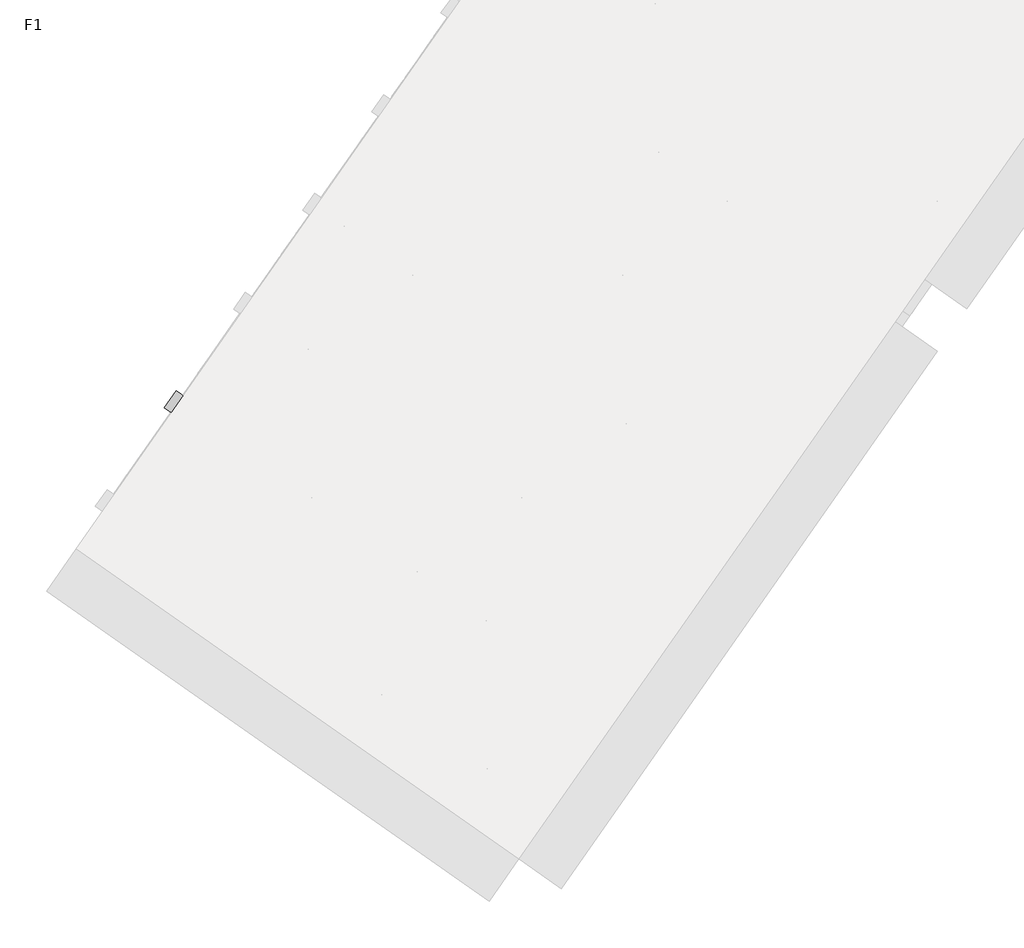
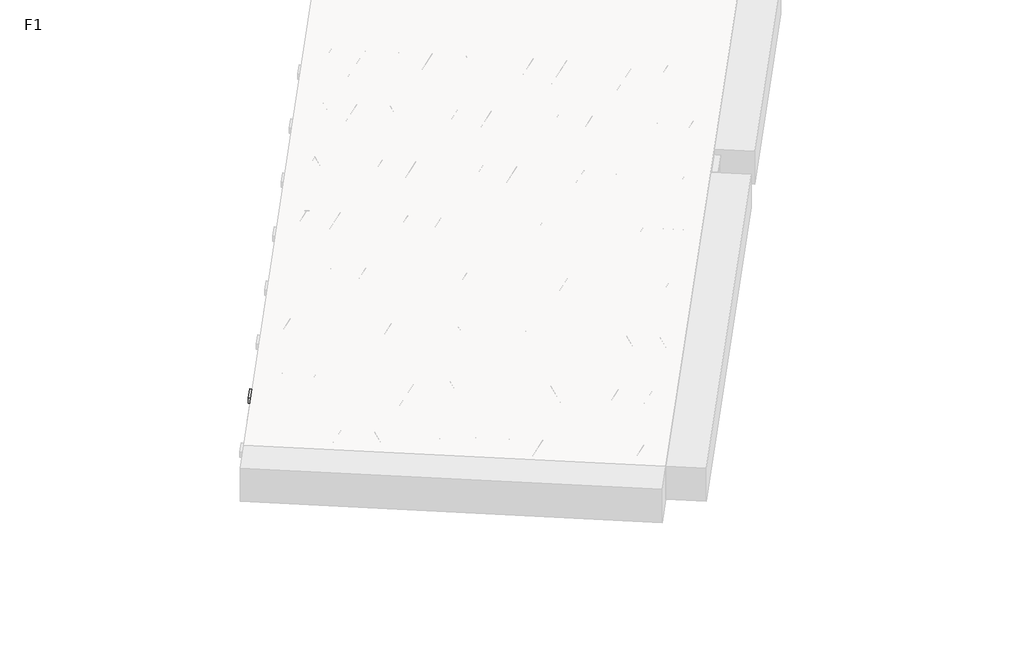
# One storey, part 2 of 30: 2 beams.
"""IFC4 building model written with IfcOpenShell, lengths in millimetres."""

from ifc_helpers import new_model, si_unit, point, frame, origin, origin_2d, place, context, project, spatial, polyline, circle_curve, trimmed, segment, composite_curve, outline, extrude, element, save

model = new_model("IFC4")

# Units and contexts
model_context = context("Model", 3, world=origin())
ifc_project = project(units=[si_unit("LENGTHUNIT", "METRE", prefix="MILLI")], contexts=[model_context])

# Site, building, storey
site = spatial("IfcSite", under=ifc_project)
building = spatial("IfcBuilding", under=site)
storey = spatial("IfcBuildingStorey", under=building, Name="F1", Elevation=99520.0)

# Beams
placement = place(None, origin())
element("IfcBeam", 1, at=placement, inside=storey, context=model_context, shape_type="SweptSolid", body=[
    extrude(outline(polyline([(4421.0046381, -3839.9487683), (4489.8338105, -3741.650523), (7143.8864339, -5600.0381769), (7075.0572616, -5698.3364222), (4421.0046381, -3839.9487683)])), frame((0.0, 0.0, 99720.0), z_axis=(0.0, 0.0, 1.0), x_axis=(1.0, 0.0, 0.0)), (0.0, 0.0, 1.0), 50.0),
    extrude(outline(composite_curve([segment(trimmed(circle_curve(origin_2d(), 2.5), [point((-2.5, 0.0))], [point((2.5, 0.0))], False, "CARTESIAN"), True, "CONTINUOUS"), segment(trimmed(circle_curve(origin_2d(), 2.5), [point((2.5, 0.0))], [point((-2.5, 0.0))], False, "CARTESIAN"), True, "CONTINUOUS")], self_intersect=False)), frame((7069.163447, -5664.9109386, 99745.0), z_axis=(-0.8191520442696126, 0.5735764363787226, 0.0), x_axis=(0.5735764363787226, 0.8191520442696126, 0.0)), (0.0, 0.0, 1.0), 3192.0),
    extrude(outline(composite_curve([segment(trimmed(circle_curve(origin_2d(), 2.5), [point((-2.5, 0.0))], [point((2.5, 0.0))], False, "CARTESIAN"), True, "CONTINUOUS"), segment(trimmed(circle_curve(origin_2d(), 2.5), [point((2.5, 0.0))], [point((-2.5, 0.0))], False, "CARTESIAN"), True, "CONTINUOUS")], self_intersect=False)), frame((6949.7371991, -5537.3398944, 99970.0), z_axis=(-0.8191520442696126, 0.5735764363787226, 0.0), x_axis=(0.5735764363787226, 0.8191520442696126, 0.0)), (0.0, 0.0, 1.0), 2850.0),
    extrude(outline(composite_curve([segment(trimmed(circle_curve(origin_2d(), 2.5), [point((-2.5, -1e-07))], [point((2.5, 0.0))], False, "CARTESIAN"), True, "CONTINUOUS"), segment(trimmed(circle_curve(origin_2d(), 2.5), [point((2.5, 0.0))], [point((-2.5, -1e-07))], False, "CARTESIAN"), True, "CONTINUOUS")], self_intersect=False)), frame((6990.5248507, -5609.8476007, 99745.0), z_axis=(-0.3145304735701046, 0.38933448886848654, 0.8657304643902053), x_axis=(0.7778747638402499, 0.6284193279813057, 0.0)), (0.0, 0.0, 1.0), 259.8961331),
    extrude(outline(composite_curve([segment(trimmed(circle_curve(origin_2d(), 2.5), [point((2.5000001, 0.0))], [point((-2.5, 1e-07))], False, "CARTESIAN"), True, "CONTINUOUS"), segment(trimmed(circle_curve(origin_2d(), 2.5), [point((-2.5, 1e-07))], [point((2.5000001, 0.0))], False, "CARTESIAN"), True, "CONTINUOUS")], self_intersect=False)), frame((6785.7368396, -5466.4534916, 99745.0), z_axis=(0.47343050384693375, -0.16240172737369005, 0.8657304643902051), x_axis=(-0.3244721671091268, -0.9458952440791246, 0.0)), (0.0, 0.0, 1.0), 259.8961331),
    extrude(outline(composite_curve([segment(trimmed(circle_curve(origin_2d(), 2.5), [point((-2.5, -1e-07))], [point((2.5000001, -1e-07))], False, "CARTESIAN"), True, "CONTINUOUS"), segment(trimmed(circle_curve(origin_2d(), 2.5), [point((2.5000001, -1e-07))], [point((-2.5, -1e-07))], False, "CARTESIAN"), True, "CONTINUOUS")], self_intersect=False)), frame((6785.7368396, -5466.4534916, 99745.0), z_axis=(-0.3145304735701046, 0.38933448886848654, 0.8657304643902053), x_axis=(0.7778747638402499, 0.6284193279813057, 0.0)), (0.0, 0.0, 1.0), 259.8961331),
    extrude(outline(composite_curve([segment(trimmed(circle_curve(origin_2d(), 2.5), [point((2.5000001, 0.0))], [point((-2.5, 0.0))], False, "CARTESIAN"), True, "CONTINUOUS"), segment(trimmed(circle_curve(origin_2d(), 2.5), [point((-2.5, 0.0))], [point((2.5000001, 0.0))], False, "CARTESIAN"), True, "CONTINUOUS")], self_intersect=False)), frame((6580.9488286, -5323.0593825, 99745.0), z_axis=(0.47343050384693375, -0.16240172737369005, 0.8657304643902051), x_axis=(-0.3244721671091268, -0.9458952440791246, 0.0)), (0.0, 0.0, 1.0), 259.8961331),
    extrude(outline(composite_curve([segment(trimmed(circle_curve(origin_2d(), 2.5), [point((-2.5, -1e-07))], [point((2.5, 0.0))], False, "CARTESIAN"), True, "CONTINUOUS"), segment(trimmed(circle_curve(origin_2d(), 2.5), [point((2.5, 0.0))], [point((-2.5, -1e-07))], False, "CARTESIAN"), True, "CONTINUOUS")], self_intersect=False)), frame((6580.9488286, -5323.0593825, 99745.0), z_axis=(-0.3145304735701046, 0.38933448886848654, 0.8657304643902053), x_axis=(0.7778747638402499, 0.6284193279813057, 0.0)), (0.0, 0.0, 1.0), 259.8961331),
    extrude(outline(composite_curve([segment(trimmed(circle_curve(origin_2d(), 2.5), [point((2.5, 0.0))], [point((-2.5000001, 0.0))], False, "CARTESIAN"), True, "CONTINUOUS"), segment(trimmed(circle_curve(origin_2d(), 2.5), [point((-2.5000001, 0.0))], [point((2.5, 0.0))], False, "CARTESIAN"), True, "CONTINUOUS")], self_intersect=False)), frame((6376.1608175, -5179.6652735, 99745.0), z_axis=(0.47343050384693375, -0.16240172737369005, 0.8657304643902051), x_axis=(-0.3244721671091268, -0.9458952440791246, 0.0)), (0.0, 0.0, 1.0), 259.8961331),
    extrude(outline(composite_curve([segment(trimmed(circle_curve(origin_2d(), 2.5), [point((-2.5, 0.0))], [point((2.5, 1e-07))], False, "CARTESIAN"), True, "CONTINUOUS"), segment(trimmed(circle_curve(origin_2d(), 2.5), [point((2.5, 1e-07))], [point((-2.5, 0.0))], False, "CARTESIAN"), True, "CONTINUOUS")], self_intersect=False)), frame((6376.1608175, -5179.6652735, 99745.0), z_axis=(-0.3145304735701046, 0.38933448886848654, 0.8657304643902053), x_axis=(0.7778747638402499, 0.6284193279813057, 0.0)), (0.0, 0.0, 1.0), 259.8961331),
    extrude(outline(composite_curve([segment(trimmed(circle_curve(origin_2d(), 2.5), [point((2.5, 0.0))], [point((-2.5000001, 0.0))], False, "CARTESIAN"), True, "CONTINUOUS"), segment(trimmed(circle_curve(origin_2d(), 2.5), [point((-2.5000001, 0.0))], [point((2.5, 0.0))], False, "CARTESIAN"), True, "CONTINUOUS")], self_intersect=False)), frame((6171.3728064, -5036.2711644, 99745.0), z_axis=(0.47343050384693375, -0.16240172737369005, 0.8657304643902051), x_axis=(-0.3244721671091268, -0.9458952440791246, 0.0)), (0.0, 0.0, 1.0), 259.8961331),
    extrude(outline(composite_curve([segment(trimmed(circle_curve(origin_2d(), 2.5), [point((-2.5, 0.0))], [point((2.5000001, 0.0))], False, "CARTESIAN"), True, "CONTINUOUS"), segment(trimmed(circle_curve(origin_2d(), 2.5), [point((2.5000001, 0.0))], [point((-2.5, 0.0))], False, "CARTESIAN"), True, "CONTINUOUS")], self_intersect=False)), frame((6171.3728064, -5036.2711644, 99745.0), z_axis=(-0.3145304735701046, 0.38933448886848654, 0.8657304643902053), x_axis=(0.7778747638402499, 0.6284193279813057, 0.0)), (0.0, 0.0, 1.0), 259.8961331),
    extrude(outline(composite_curve([segment(trimmed(circle_curve(origin_2d(), 2.5), [point((2.5, 0.0))], [point((-2.5, 0.0))], False, "CARTESIAN"), True, "CONTINUOUS"), segment(trimmed(circle_curve(origin_2d(), 2.5), [point((-2.5, 0.0))], [point((2.5, 0.0))], False, "CARTESIAN"), True, "CONTINUOUS")], self_intersect=False)), frame((5966.5847954, -4892.8770553, 99745.0), z_axis=(0.47343050384693375, -0.16240172737369005, 0.8657304643902051), x_axis=(-0.3244721671091268, -0.9458952440791246, 0.0)), (0.0, 0.0, 1.0), 259.8961331),
    extrude(outline(composite_curve([segment(trimmed(circle_curve(origin_2d(), 2.5), [point((-2.5, 0.0))], [point((2.5, 1e-07))], False, "CARTESIAN"), True, "CONTINUOUS"), segment(trimmed(circle_curve(origin_2d(), 2.5), [point((2.5, 1e-07))], [point((-2.5, 0.0))], False, "CARTESIAN"), True, "CONTINUOUS")], self_intersect=False)), frame((5966.5847954, -4892.8770553, 99745.0), z_axis=(-0.3145304735701046, 0.38933448886848654, 0.8657304643902053), x_axis=(0.7778747638402499, 0.6284193279813057, 0.0)), (0.0, 0.0, 1.0), 259.8961331),
    extrude(outline(composite_curve([segment(trimmed(circle_curve(origin_2d(), 2.5), [point((2.5, 0.0))], [point((-2.5, 0.0))], False, "CARTESIAN"), True, "CONTINUOUS"), segment(trimmed(circle_curve(origin_2d(), 2.5), [point((-2.5, 0.0))], [point((2.5, 0.0))], False, "CARTESIAN"), True, "CONTINUOUS")], self_intersect=False)), frame((5761.7967843, -4749.4829462, 99745.0), z_axis=(0.47343050384693375, -0.16240172737369005, 0.8657304643902051), x_axis=(-0.3244721671091268, -0.9458952440791246, 0.0)), (0.0, 0.0, 1.0), 259.8961331),
    extrude(outline(composite_curve([segment(trimmed(circle_curve(origin_2d(), 2.5), [point((-2.5, 0.0))], [point((2.5, 1e-07))], False, "CARTESIAN"), True, "CONTINUOUS"), segment(trimmed(circle_curve(origin_2d(), 2.5), [point((2.5, 1e-07))], [point((-2.5, 0.0))], False, "CARTESIAN"), True, "CONTINUOUS")], self_intersect=False)), frame((5761.7967843, -4749.4829462, 99745.0), z_axis=(-0.3145304735701046, 0.38933448886848654, 0.8657304643902053), x_axis=(0.7778747638402499, 0.6284193279813057, 0.0)), (0.0, 0.0, 1.0), 259.8961331),
    extrude(outline(composite_curve([segment(trimmed(circle_curve(origin_2d(), 2.5), [point((2.5, 0.0))], [point((-2.5, 1e-07))], False, "CARTESIAN"), True, "CONTINUOUS"), segment(trimmed(circle_curve(origin_2d(), 2.5), [point((-2.5, 1e-07))], [point((2.5, 0.0))], False, "CARTESIAN"), True, "CONTINUOUS")], self_intersect=False)), frame((5557.0087732, -4606.0888371, 99745.0), z_axis=(0.47343050384693375, -0.16240172737369005, 0.8657304643902051), x_axis=(-0.3244721671091268, -0.9458952440791246, 0.0)), (0.0, 0.0, 1.0), 259.8961331),
    extrude(outline(composite_curve([segment(trimmed(circle_curve(origin_2d(), 2.5), [point((-2.5, 0.0))], [point((2.5, 0.0))], False, "CARTESIAN"), True, "CONTINUOUS"), segment(trimmed(circle_curve(origin_2d(), 2.5), [point((2.5, 0.0))], [point((-2.5, 0.0))], False, "CARTESIAN"), True, "CONTINUOUS")], self_intersect=False)), frame((5557.0087732, -4606.0888371, 99745.0), z_axis=(-0.3145304735701046, 0.38933448886848654, 0.8657304643902053), x_axis=(0.7778747638402499, 0.6284193279813057, 0.0)), (0.0, 0.0, 1.0), 259.8961331),
    extrude(outline(composite_curve([segment(trimmed(circle_curve(origin_2d(), 2.5), [point((2.5, 0.0))], [point((-2.5, 0.0))], False, "CARTESIAN"), True, "CONTINUOUS"), segment(trimmed(circle_curve(origin_2d(), 2.5), [point((-2.5, 0.0))], [point((2.5, 0.0))], False, "CARTESIAN"), True, "CONTINUOUS")], self_intersect=False)), frame((5352.2207622, -4462.694728, 99745.0), z_axis=(0.47343050384693375, -0.16240172737369005, 0.8657304643902051), x_axis=(-0.3244721671091268, -0.9458952440791246, 0.0)), (0.0, 0.0, 1.0), 259.8961331),
    extrude(outline(composite_curve([segment(trimmed(circle_curve(origin_2d(), 2.5), [point((-2.5, 0.0))], [point((2.5, 0.0))], False, "CARTESIAN"), True, "CONTINUOUS"), segment(trimmed(circle_curve(origin_2d(), 2.5), [point((2.5, 0.0))], [point((-2.5, 0.0))], False, "CARTESIAN"), True, "CONTINUOUS")], self_intersect=False)), frame((5352.2207622, -4462.694728, 99745.0), z_axis=(-0.3145304735701046, 0.38933448886848654, 0.8657304643902053), x_axis=(0.7778747638402499, 0.6284193279813057, 0.0)), (0.0, 0.0, 1.0), 259.8961331),
    extrude(outline(composite_curve([segment(trimmed(circle_curve(origin_2d(), 2.5), [point((2.5, 0.0))], [point((-2.5, 0.0))], False, "CARTESIAN"), True, "CONTINUOUS"), segment(trimmed(circle_curve(origin_2d(), 2.5), [point((-2.5, 0.0))], [point((2.5, 0.0))], False, "CARTESIAN"), True, "CONTINUOUS")], self_intersect=False)), frame((5147.4327511, -4319.3006189, 99745.0), z_axis=(0.47343050384693375, -0.16240172737369005, 0.8657304643902051), x_axis=(-0.3244721671091268, -0.9458952440791246, 0.0)), (0.0, 0.0, 1.0), 259.8961331),
    extrude(outline(composite_curve([segment(trimmed(circle_curve(origin_2d(), 2.5), [point((-2.5, 0.0))], [point((2.5, 0.0))], False, "CARTESIAN"), True, "CONTINUOUS"), segment(trimmed(circle_curve(origin_2d(), 2.5), [point((2.5, 0.0))], [point((-2.5, 0.0))], False, "CARTESIAN"), True, "CONTINUOUS")], self_intersect=False)), frame((5147.4327511, -4319.3006189, 99745.0), z_axis=(-0.3145304735701046, 0.38933448886848654, 0.8657304643902053), x_axis=(0.7778747638402499, 0.6284193279813057, 0.0)), (0.0, 0.0, 1.0), 259.8961331),
    extrude(outline(composite_curve([segment(trimmed(circle_curve(origin_2d(), 2.5), [point((2.5, 0.0))], [point((-2.5, 1e-07))], False, "CARTESIAN"), True, "CONTINUOUS"), segment(trimmed(circle_curve(origin_2d(), 2.5), [point((-2.5, 1e-07))], [point((2.5, 0.0))], False, "CARTESIAN"), True, "CONTINUOUS")], self_intersect=False)), frame((4942.64474, -4175.9065098, 99745.0), z_axis=(0.47343050384693375, -0.16240172737369005, 0.8657304643902051), x_axis=(-0.3244721671091268, -0.9458952440791246, 0.0)), (0.0, 0.0, 1.0), 259.8961331),
    extrude(outline(composite_curve([segment(trimmed(circle_curve(origin_2d(), 2.5), [point((-2.5, 0.0))], [point((2.5, 0.0))], False, "CARTESIAN"), True, "CONTINUOUS"), segment(trimmed(circle_curve(origin_2d(), 2.5), [point((2.5, 0.0))], [point((-2.5, 0.0))], False, "CARTESIAN"), True, "CONTINUOUS")], self_intersect=False)), frame((4942.64474, -4175.9065098, 99745.0), z_axis=(-0.3145304735701046, 0.38933448886848654, 0.8657304643902053), x_axis=(0.7778747638402499, 0.6284193279813057, 0.0)), (0.0, 0.0, 1.0), 259.8961331),
    extrude(outline(composite_curve([segment(trimmed(circle_curve(origin_2d(), 2.5), [point((2.5, 0.0))], [point((-2.5, 0.0))], False, "CARTESIAN"), True, "CONTINUOUS"), segment(trimmed(circle_curve(origin_2d(), 2.5), [point((-2.5, 0.0))], [point((2.5, 0.0))], False, "CARTESIAN"), True, "CONTINUOUS")], self_intersect=False)), frame((4737.856729, -4032.5124007, 99745.0), z_axis=(0.47343050384693375, -0.16240172737369005, 0.8657304643902051), x_axis=(-0.3244721671091268, -0.9458952440791246, 0.0)), (0.0, 0.0, 1.0), 259.8961331),
    extrude(outline(composite_curve([segment(trimmed(circle_curve(origin_2d(), 2.5), [point((-2.5, 0.0))], [point((2.5, 0.0))], False, "CARTESIAN"), True, "CONTINUOUS"), segment(trimmed(circle_curve(origin_2d(), 2.5), [point((2.5, 0.0))], [point((-2.5, 0.0))], False, "CARTESIAN"), True, "CONTINUOUS")], self_intersect=False)), frame((4737.856729, -4032.5124007, 99745.0), z_axis=(-0.3145304735701046, 0.38933448886848654, 0.8657304643902053), x_axis=(0.7778747638402499, 0.6284193279813057, 0.0)), (0.0, 0.0, 1.0), 259.8961331),
    extrude(outline(composite_curve([segment(trimmed(circle_curve(origin_2d(), 2.5), [point((2.5, 0.0))], [point((-2.5, 0.0))], False, "CARTESIAN"), True, "CONTINUOUS"), segment(trimmed(circle_curve(origin_2d(), 2.5), [point((-2.5, 0.0))], [point((2.5, 0.0))], False, "CARTESIAN"), True, "CONTINUOUS")], self_intersect=False)), frame((4533.0687179, -3889.1182916, 99745.0), z_axis=(0.47343050384693375, -0.16240172737369005, 0.8657304643902051), x_axis=(-0.3244721671091268, -0.9458952440791246, 0.0)), (0.0, 0.0, 1.0), 259.8961331),
    extrude(outline(composite_curve([segment(trimmed(circle_curve(origin_2d(), 2.5), [point((-2.5000001, 0.0))], [point((2.5, 0.0))], False, "CARTESIAN"), True, "CONTINUOUS"), segment(trimmed(circle_curve(origin_2d(), 2.5), [point((2.5, 0.0))], [point((-2.5000001, 0.0))], False, "CARTESIAN"), True, "CONTINUOUS")], self_intersect=False)), frame((7110.4609504, -5605.9319914, 99745.0), z_axis=(-0.8191520442696126, 0.5735764363787226, 0.0), x_axis=(0.5735764363787226, 0.8191520442696126, 0.0)), (0.0, 0.0, 1.0), 3192.0),
    extrude(outline(composite_curve([segment(trimmed(circle_curve(origin_2d(), 2.5), [point((-2.5000001, 0.0))], [point((2.5, 0.0))], False, "CARTESIAN"), True, "CONTINUOUS"), segment(trimmed(circle_curve(origin_2d(), 2.5), [point((2.5, 0.0))], [point((-2.5000001, 0.0))], False, "CARTESIAN"), True, "CONTINUOUS")], self_intersect=False)), frame((7031.8223541, -5550.8686535, 99745.0), z_axis=(-0.47343050384693375, 0.16240172737369005, 0.8657304643902051), x_axis=(0.3244721671091268, 0.9458952440791246, 0.0)), (0.0, 0.0, 1.0), 259.8961331),
    extrude(outline(composite_curve([segment(trimmed(circle_curve(origin_2d(), 2.5), [point((2.5, 0.0))], [point((-2.5, -1e-07))], False, "CARTESIAN"), True, "CONTINUOUS"), segment(trimmed(circle_curve(origin_2d(), 2.5), [point((-2.5, -1e-07))], [point((2.5, 0.0))], False, "CARTESIAN"), True, "CONTINUOUS")], self_intersect=False)), frame((6827.0343431, -5407.4745445, 99745.0), z_axis=(0.3145304735701046, -0.38933448886848654, 0.8657304643902053), x_axis=(-0.7778747638402499, -0.6284193279813057, 0.0)), (0.0, 0.0, 1.0), 259.8961331),
    extrude(outline(composite_curve([segment(trimmed(circle_curve(origin_2d(), 2.5), [point((-2.5, 1e-07))], [point((2.5000001, 0.0))], False, "CARTESIAN"), True, "CONTINUOUS"), segment(trimmed(circle_curve(origin_2d(), 2.5), [point((2.5000001, 0.0))], [point((-2.5, 1e-07))], False, "CARTESIAN"), True, "CONTINUOUS")], self_intersect=False)), frame((6827.0343431, -5407.4745445, 99745.0), z_axis=(-0.47343050384693375, 0.16240172737369005, 0.8657304643902051), x_axis=(0.3244721671091268, 0.9458952440791246, 0.0)), (0.0, 0.0, 1.0), 259.8961331),
    extrude(outline(composite_curve([segment(trimmed(circle_curve(origin_2d(), 2.5), [point((2.5, 0.0))], [point((-2.5, -1e-07))], False, "CARTESIAN"), True, "CONTINUOUS"), segment(trimmed(circle_curve(origin_2d(), 2.5), [point((-2.5, -1e-07))], [point((2.5, 0.0))], False, "CARTESIAN"), True, "CONTINUOUS")], self_intersect=False)), frame((6622.246332, -5264.0804354, 99745.0), z_axis=(0.3145304735701046, -0.38933448886848654, 0.8657304643902053), x_axis=(-0.7778747638402499, -0.6284193279813057, 0.0)), (0.0, 0.0, 1.0), 259.8961331),
    extrude(outline(composite_curve([segment(trimmed(circle_curve(origin_2d(), 2.5), [point((-2.5, 0.0))], [point((2.5, 0.0))], False, "CARTESIAN"), True, "CONTINUOUS"), segment(trimmed(circle_curve(origin_2d(), 2.5), [point((2.5, 0.0))], [point((-2.5, 0.0))], False, "CARTESIAN"), True, "CONTINUOUS")], self_intersect=False)), frame((6622.246332, -5264.0804354, 99745.0), z_axis=(-0.47343050384693375, 0.16240172737369005, 0.8657304643902051), x_axis=(0.3244721671091268, 0.9458952440791246, 0.0)), (0.0, 0.0, 1.0), 259.8961331),
    extrude(outline(composite_curve([segment(trimmed(circle_curve(origin_2d(), 2.5), [point((2.5, 0.0))], [point((-2.5, -1e-07))], False, "CARTESIAN"), True, "CONTINUOUS"), segment(trimmed(circle_curve(origin_2d(), 2.5), [point((-2.5, -1e-07))], [point((2.5, 0.0))], False, "CARTESIAN"), True, "CONTINUOUS")], self_intersect=False)), frame((6417.4583209, -5120.6863263, 99745.0), z_axis=(0.3145304735701046, -0.38933448886848654, 0.8657304643902053), x_axis=(-0.7778747638402499, -0.6284193279813057, 0.0)), (0.0, 0.0, 1.0), 259.8961331),
    extrude(outline(composite_curve([segment(trimmed(circle_curve(origin_2d(), 2.5), [point((-2.5, 0.0))], [point((2.5, 0.0))], False, "CARTESIAN"), True, "CONTINUOUS"), segment(trimmed(circle_curve(origin_2d(), 2.5), [point((2.5, 0.0))], [point((-2.5, 0.0))], False, "CARTESIAN"), True, "CONTINUOUS")], self_intersect=False)), frame((6417.4583209, -5120.6863263, 99745.0), z_axis=(-0.47343050384693375, 0.16240172737369005, 0.8657304643902051), x_axis=(0.3244721671091268, 0.9458952440791246, 0.0)), (0.0, 0.0, 1.0), 259.8961331),
    extrude(outline(composite_curve([segment(trimmed(circle_curve(origin_2d(), 2.5), [point((2.5, 0.0))], [point((-2.5, 0.0))], False, "CARTESIAN"), True, "CONTINUOUS"), segment(trimmed(circle_curve(origin_2d(), 2.5), [point((-2.5, 0.0))], [point((2.5, 0.0))], False, "CARTESIAN"), True, "CONTINUOUS")], self_intersect=False)), frame((6212.6703099, -4977.2922172, 99745.0), z_axis=(0.3145304735701046, -0.38933448886848654, 0.8657304643902053), x_axis=(-0.7778747638402499, -0.6284193279813057, 0.0)), (0.0, 0.0, 1.0), 259.8961331),
    extrude(outline(composite_curve([segment(trimmed(circle_curve(origin_2d(), 2.5), [point((-2.5, 1e-07))], [point((2.5, 0.0))], False, "CARTESIAN"), True, "CONTINUOUS"), segment(trimmed(circle_curve(origin_2d(), 2.5), [point((2.5, 0.0))], [point((-2.5, 1e-07))], False, "CARTESIAN"), True, "CONTINUOUS")], self_intersect=False)), frame((6212.6703099, -4977.2922172, 99745.0), z_axis=(-0.47343050384693375, 0.16240172737369005, 0.8657304643902051), x_axis=(0.3244721671091268, 0.9458952440791246, 0.0)), (0.0, 0.0, 1.0), 259.8961331),
    extrude(outline(composite_curve([segment(trimmed(circle_curve(origin_2d(), 2.5), [point((2.5, 0.0))], [point((-2.5, 0.0))], False, "CARTESIAN"), True, "CONTINUOUS"), segment(trimmed(circle_curve(origin_2d(), 2.5), [point((-2.5, 0.0))], [point((2.5, 0.0))], False, "CARTESIAN"), True, "CONTINUOUS")], self_intersect=False)), frame((6007.8822988, -4833.8981081, 99745.0), z_axis=(0.3145304735701046, -0.38933448886848654, 0.8657304643902053), x_axis=(-0.7778747638402499, -0.6284193279813057, 0.0)), (0.0, 0.0, 1.0), 259.8961331),
    extrude(outline(composite_curve([segment(trimmed(circle_curve(origin_2d(), 2.5), [point((-2.5, 0.0))], [point((2.5, 0.0))], False, "CARTESIAN"), True, "CONTINUOUS"), segment(trimmed(circle_curve(origin_2d(), 2.5), [point((2.5, 0.0))], [point((-2.5, 0.0))], False, "CARTESIAN"), True, "CONTINUOUS")], self_intersect=False)), frame((6007.8822988, -4833.8981081, 99745.0), z_axis=(-0.47343050384693375, 0.16240172737369005, 0.8657304643902051), x_axis=(0.3244721671091268, 0.9458952440791246, 0.0)), (0.0, 0.0, 1.0), 259.8961331),
    extrude(outline(composite_curve([segment(trimmed(circle_curve(origin_2d(), 2.5), [point((2.5, 0.0))], [point((-2.5, 0.0))], False, "CARTESIAN"), True, "CONTINUOUS"), segment(trimmed(circle_curve(origin_2d(), 2.5), [point((-2.5, 0.0))], [point((2.5, 0.0))], False, "CARTESIAN"), True, "CONTINUOUS")], self_intersect=False)), frame((5803.0942877, -4690.503999, 99745.0), z_axis=(0.3145304735701046, -0.38933448886848654, 0.8657304643902053), x_axis=(-0.7778747638402499, -0.6284193279813057, 0.0)), (0.0, 0.0, 1.0), 259.8961331),
    extrude(outline(composite_curve([segment(trimmed(circle_curve(origin_2d(), 2.5), [point((-2.5, 0.0))], [point((2.5, 0.0))], False, "CARTESIAN"), True, "CONTINUOUS"), segment(trimmed(circle_curve(origin_2d(), 2.5), [point((2.5, 0.0))], [point((-2.5, 0.0))], False, "CARTESIAN"), True, "CONTINUOUS")], self_intersect=False)), frame((5803.0942877, -4690.503999, 99745.0), z_axis=(-0.47343050384693375, 0.16240172737369005, 0.8657304643902051), x_axis=(0.3244721671091268, 0.9458952440791246, 0.0)), (0.0, 0.0, 1.0), 259.8961331),
    extrude(outline(composite_curve([segment(trimmed(circle_curve(origin_2d(), 2.5), [point((2.5000001, -1e-07))], [point((-2.5, 0.0))], False, "CARTESIAN"), True, "CONTINUOUS"), segment(trimmed(circle_curve(origin_2d(), 2.5), [point((-2.5, 0.0))], [point((2.5000001, -1e-07))], False, "CARTESIAN"), True, "CONTINUOUS")], self_intersect=False)), frame((5598.3062767, -4547.1098899, 99745.0), z_axis=(0.3145304735701046, -0.38933448886848654, 0.8657304643902053), x_axis=(-0.7778747638402499, -0.6284193279813057, 0.0)), (0.0, 0.0, 1.0), 259.8961331),
    extrude(outline(composite_curve([segment(trimmed(circle_curve(origin_2d(), 2.5), [point((-2.5, 1e-07))], [point((2.5, 0.0))], False, "CARTESIAN"), True, "CONTINUOUS"), segment(trimmed(circle_curve(origin_2d(), 2.5), [point((2.5, 0.0))], [point((-2.5, 1e-07))], False, "CARTESIAN"), True, "CONTINUOUS")], self_intersect=False)), frame((5598.3062767, -4547.1098899, 99745.0), z_axis=(-0.47343050384693375, 0.16240172737369005, 0.8657304643902051), x_axis=(0.3244721671091268, 0.9458952440791246, 0.0)), (0.0, 0.0, 1.0), 259.8961331),
    extrude(outline(composite_curve([segment(trimmed(circle_curve(origin_2d(), 2.5), [point((2.5, 0.0))], [point((-2.5, 0.0))], False, "CARTESIAN"), True, "CONTINUOUS"), segment(trimmed(circle_curve(origin_2d(), 2.5), [point((-2.5, 0.0))], [point((2.5, 0.0))], False, "CARTESIAN"), True, "CONTINUOUS")], self_intersect=False)), frame((5393.5182656, -4403.7157808, 99745.0), z_axis=(0.3145304735701046, -0.38933448886848654, 0.8657304643902053), x_axis=(-0.7778747638402499, -0.6284193279813057, 0.0)), (0.0, 0.0, 1.0), 259.8961331),
    extrude(outline(composite_curve([segment(trimmed(circle_curve(origin_2d(), 2.5), [point((-2.5, 0.0))], [point((2.5, 0.0))], False, "CARTESIAN"), True, "CONTINUOUS"), segment(trimmed(circle_curve(origin_2d(), 2.5), [point((2.5, 0.0))], [point((-2.5, 0.0))], False, "CARTESIAN"), True, "CONTINUOUS")], self_intersect=False)), frame((5393.5182656, -4403.7157808, 99745.0), z_axis=(-0.47343050384693375, 0.16240172737369005, 0.8657304643902051), x_axis=(0.3244721671091268, 0.9458952440791246, 0.0)), (0.0, 0.0, 1.0), 259.8961331),
    extrude(outline(composite_curve([segment(trimmed(circle_curve(origin_2d(), 2.5), [point((2.5, 0.0))], [point((-2.5, 0.0))], False, "CARTESIAN"), True, "CONTINUOUS"), segment(trimmed(circle_curve(origin_2d(), 2.5), [point((-2.5, 0.0))], [point((2.5, 0.0))], False, "CARTESIAN"), True, "CONTINUOUS")], self_intersect=False)), frame((5188.7302545, -4260.3216717, 99745.0), z_axis=(0.3145304735701046, -0.38933448886848654, 0.8657304643902053), x_axis=(-0.7778747638402499, -0.6284193279813057, 0.0)), (0.0, 0.0, 1.0), 259.8961331),
    extrude(outline(composite_curve([segment(trimmed(circle_curve(origin_2d(), 2.5), [point((-2.5, 0.0))], [point((2.5, 0.0))], False, "CARTESIAN"), True, "CONTINUOUS"), segment(trimmed(circle_curve(origin_2d(), 2.5), [point((2.5, 0.0))], [point((-2.5, 0.0))], False, "CARTESIAN"), True, "CONTINUOUS")], self_intersect=False)), frame((5188.7302545, -4260.3216717, 99745.0), z_axis=(-0.47343050384693375, 0.16240172737369005, 0.8657304643902051), x_axis=(0.3244721671091268, 0.9458952440791246, 0.0)), (0.0, 0.0, 1.0), 259.8961331),
    extrude(outline(composite_curve([segment(trimmed(circle_curve(origin_2d(), 2.5), [point((2.5000001, -1e-07))], [point((-2.5, 0.0))], False, "CARTESIAN"), True, "CONTINUOUS"), segment(trimmed(circle_curve(origin_2d(), 2.5), [point((-2.5, 0.0))], [point((2.5000001, -1e-07))], False, "CARTESIAN"), True, "CONTINUOUS")], self_intersect=False)), frame((4983.9422435, -4116.9275626, 99745.0), z_axis=(0.3145304735701046, -0.38933448886848654, 0.8657304643902053), x_axis=(-0.7778747638402499, -0.6284193279813057, 0.0)), (0.0, 0.0, 1.0), 259.8961331),
    extrude(outline(composite_curve([segment(trimmed(circle_curve(origin_2d(), 2.5), [point((-2.5, 1e-07))], [point((2.5, 0.0))], False, "CARTESIAN"), True, "CONTINUOUS"), segment(trimmed(circle_curve(origin_2d(), 2.5), [point((2.5, 0.0))], [point((-2.5, 1e-07))], False, "CARTESIAN"), True, "CONTINUOUS")], self_intersect=False)), frame((4983.9422435, -4116.9275626, 99745.0), z_axis=(-0.47343050384693375, 0.16240172737369005, 0.8657304643902051), x_axis=(0.3244721671091268, 0.9458952440791246, 0.0)), (0.0, 0.0, 1.0), 259.8961331),
    extrude(outline(composite_curve([segment(trimmed(circle_curve(origin_2d(), 2.5), [point((2.5, 0.0))], [point((-2.5, 0.0))], False, "CARTESIAN"), True, "CONTINUOUS"), segment(trimmed(circle_curve(origin_2d(), 2.5), [point((-2.5, 0.0))], [point((2.5, 0.0))], False, "CARTESIAN"), True, "CONTINUOUS")], self_intersect=False)), frame((4779.1542324, -3973.5334535, 99745.0), z_axis=(0.3145304735701046, -0.38933448886848654, 0.8657304643902053), x_axis=(-0.7778747638402499, -0.6284193279813057, 0.0)), (0.0, 0.0, 1.0), 259.8961331),
    extrude(outline(composite_curve([segment(trimmed(circle_curve(origin_2d(), 2.5), [point((-2.5, 0.0))], [point((2.5, 0.0))], False, "CARTESIAN"), True, "CONTINUOUS"), segment(trimmed(circle_curve(origin_2d(), 2.5), [point((2.5, 0.0))], [point((-2.5, 0.0))], False, "CARTESIAN"), True, "CONTINUOUS")], self_intersect=False)), frame((4779.1542324, -3973.5334535, 99745.0), z_axis=(-0.47343050384693375, 0.16240172737369005, 0.8657304643902051), x_axis=(0.3244721671091268, 0.9458952440791246, 0.0)), (0.0, 0.0, 1.0), 259.8961331),
    extrude(outline(composite_curve([segment(trimmed(circle_curve(origin_2d(), 2.5), [point((2.5, 0.0))], [point((-2.5, 0.0))], False, "CARTESIAN"), True, "CONTINUOUS"), segment(trimmed(circle_curve(origin_2d(), 2.5), [point((-2.5, 0.0))], [point((2.5, 0.0))], False, "CARTESIAN"), True, "CONTINUOUS")], self_intersect=False)), frame((4574.3662213, -3830.1393444, 99745.0), z_axis=(0.3145304735701046, -0.38933448886848654, 0.8657304643902053), x_axis=(-0.7778747638402499, -0.6284193279813057, 0.0)), (0.0, 0.0, 1.0), 259.8961331),
])
element("IfcBeam", 2, at=placement, inside=storey, context=model_context, shape_type="SweptSolid", body=[
    extrude(outline(polyline([(4822.5081436, -3266.5423373), (4891.3373159, -3168.244092), (7545.3899394, -5026.6317459), (7476.560767, -5124.9299912), (4822.5081436, -3266.5423373)])), frame((0.0, 0.0, 99720.0), z_axis=(0.0, 0.0, 1.0), x_axis=(1.0, 0.0, 0.0)), (0.0, 0.0, 1.0), 50.0),
])

save(model, "model.ifc")
